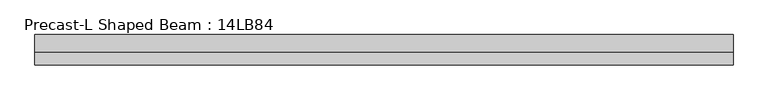
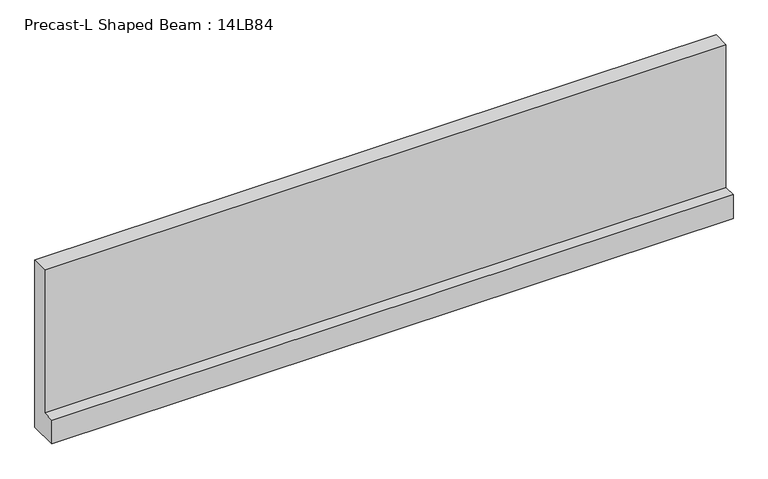
"""IFC4 building model written with IfcOpenShell, lengths in millimetres: beam geometry, Precast-L Shaped Beam : 14LB84."""

from ifc_helpers import new_model, si_unit, frame, origin, place, context, project, spatial, polyline, outline, extrude, source, transform, mapped, element, save


def precast_l_shaped_beam_14lb84_92d57b42(model_context):
    return source(origin(), model_context, "Body", "SweptSolid", [
        extrude(outline(polyline([(177.8, -1066.8), (-177.8, -1066.8), (-177.8, -762.0), (-25.4, -762.0), (-25.4, 1066.8), (177.8, 1066.8), (177.8, -1066.8)])), frame((-4267.2, 0.0, 0.0), z_axis=(1.0, 0.0, 0.0), x_axis=(0.0, 1.0, 0.0)), (0.0, 0.0, 1.0), 8229.6),
    ])


if __name__ == "__main__":
    model = new_model("IFC4")
    model_context = context("Model", 3, world=origin())
    ifc_project = project(units=[si_unit("LENGTHUNIT", "METRE", prefix="MILLI")], contexts=[model_context])
    site = spatial("IfcSite", under=ifc_project)
    building = spatial("IfcBuilding", under=site)
    placement = place(None, origin())
    precast_l_shaped_beam_14lb84_shape = precast_l_shaped_beam_14lb84_92d57b42(model_context)
    element("IfcBeam", 1, ObjectType="Precast-L Shaped Beam : 14LB84", at=placement, inside=building, context=model_context, shape_type="MappedRepresentation", body=[
        mapped(precast_l_shaped_beam_14lb84_shape, transform((0.0, 0.0, 0.0), x_axis=(1.0, 0.0, 0.0), y_axis=(0.0, 1.0, 0.0), z_axis=(0.0, 0.0, 1.0))),
    ])
    save(model, "model.ifc")
